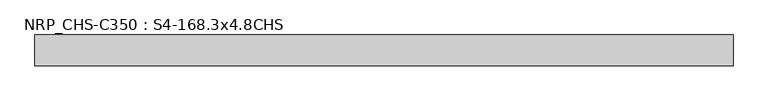
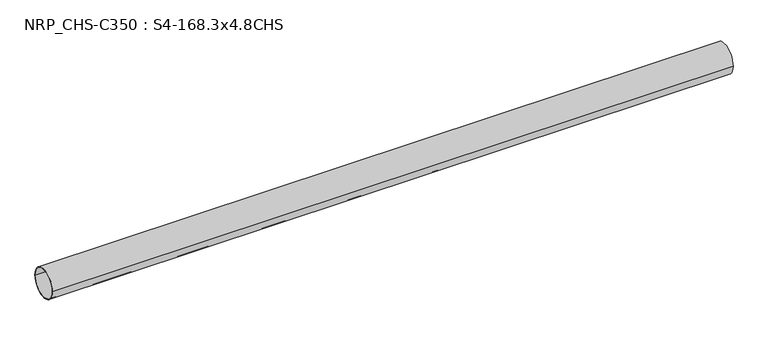
"""IFC4 building model written with IfcOpenShell, lengths in millimetres: beam geometry, NRP_CHS-C350 : S4-168.3x4.8CHS."""

from ifc_helpers import new_model, si_unit, point, frame, origin, origin_2d, place, context, project, spatial, circle_curve, trimmed, segment, composite_curve, outline, extrude, source, transform, mapped, element, save


def nrp_chs_c350_s4_168_3x4_8chs_b120720d(model_context):
    return source(origin(), model_context, "Body", "SweptSolid", [
        extrude(outline(composite_curve([segment(trimmed(circle_curve(origin_2d(), 84.15), [point((-84.15, 0.0))], [point((84.15, 0.0))], False, "CARTESIAN"), True, "CONTINUOUS"), segment(trimmed(circle_curve(origin_2d(), 84.15), [point((84.15, 0.0))], [point((-84.15, 0.0))], False, "CARTESIAN"), True, "CONTINUOUS")], self_intersect=False), holes=[composite_curve([segment(trimmed(circle_curve(origin_2d(), 79.35), [point((79.35, 0.0))], [point((-79.35, 0.0))], True, "CARTESIAN"), True, "CONTINUOUS"), segment(trimmed(circle_curve(origin_2d(), 79.35), [point((-79.35, 0.0))], [point((79.35, 0.0))], True, "CARTESIAN"), True, "CONTINUOUS")], self_intersect=False)]), frame((-1851.4, 0.0, 0.0), z_axis=(1.0, 0.0, 0.0), x_axis=(0.0, 1.0, 0.0)), (0.0, 0.0, 1.0), 3816.7),
    ])


if __name__ == "__main__":
    model = new_model("IFC4")
    model_context = context("Model", 3, world=origin())
    ifc_project = project(units=[si_unit("LENGTHUNIT", "METRE", prefix="MILLI")], contexts=[model_context])
    site = spatial("IfcSite", under=ifc_project)
    building = spatial("IfcBuilding", under=site)
    placement = place(None, origin())
    nrp_chs_c350_s4_168_3x4_8chs_shape = nrp_chs_c350_s4_168_3x4_8chs_b120720d(model_context)
    element("IfcBeam", 1, ObjectType="NRP_CHS-C350 : S4-168.3x4.8CHS", at=placement, inside=building, context=model_context, shape_type="MappedRepresentation", body=[
        mapped(nrp_chs_c350_s4_168_3x4_8chs_shape, transform((0.0, 0.0, 0.0), x_axis=(1.0, 0.0, 0.0), y_axis=(0.0, 1.0, 0.0), z_axis=(0.0, 0.0, 1.0))),
    ])
    save(model, "model.ifc")
